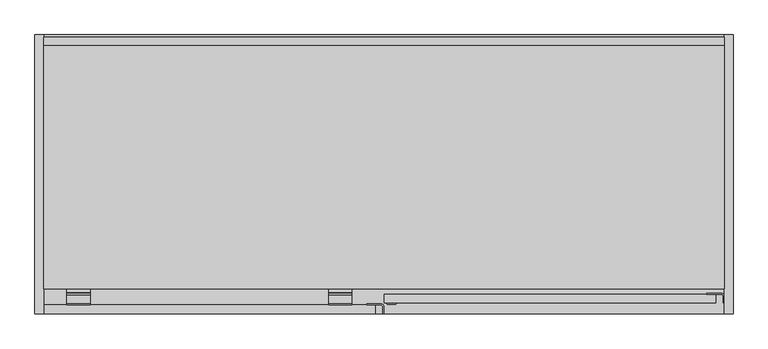
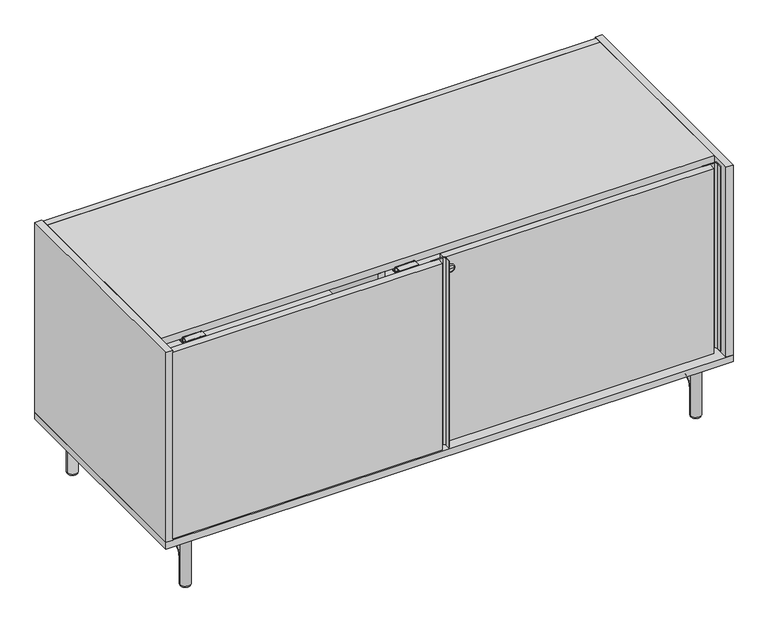
"""IFC4 building model written with IfcOpenShell, lengths in millimetres: furniture geometry."""

from ifc_helpers import new_model, si_unit, point, frame, frame_2d, origin, origin_with_axes, place, context, project, spatial, polyline, circle_curve, ellipse_curve, trimmed, segment, composite_curve, outline, extrude, source, transform, mapped, element, save
from ifc_brep_helpers import plane_surface, cylinder_surface, revolved_surface, advanced_brep


def furniture_e6530add(model_context):
    return source(origin(), model_context, "Body", "SolidModel", [
        advanced_brep(
        [(-828.3716553, -62.805469, 112.7677867), (-828.3716553, -29.4679688, 79.4302867), (-828.3716553, -29.4679688, 152.4), (-828.3716553, -40.5804688, 152.4), (-828.3716553, -40.5804688, 148.43125), (-828.3716553, -110.4604045, 148.43125), (-828.3716553, -110.4604045, 152.4), (-828.3716553, -473.7395955, 152.4), (-828.3716553, -473.7395955, 148.43125), (-828.3716553, -543.6195313, 148.43125), (-828.3716553, -543.6195313, 152.4), (-828.3716553, -554.7320313, 152.4), (-828.3716553, -554.7320313, 79.4302867), (-828.3716553, -521.3945313, 112.7677867), (-856.9466553, -29.4679688, 79.4302867), (-856.9466553, -62.8054687, 112.7677867), (-856.9466553, -521.3945313, 112.7677867), (-856.9466553, -554.7320312, 79.4302867), (-856.9466553, -554.7320313, 152.4), (-856.9466553, -543.6195313, 152.4), (-856.9466553, -543.6195313, 148.43125), (-856.9466553, -473.7395955, 148.43125), (-856.9466553, -473.7395955, 152.4), (-856.9466553, -110.4604045, 152.4), (-856.9466553, -110.4604045, 148.43125), (-856.9466553, -40.5804688, 148.43125), (-856.9466553, -40.5804688, 152.4), (-856.9466553, -29.4679688, 152.4), (-807.7341553, -543.6195313, 152.4), (-795.0341553, -530.9195313, 152.4), (-795.0341553, -486.6142182, 152.4), (-807.9087781, -473.7395955, 152.4), (-807.9087781, -110.4604045, 152.4), (-795.0341553, -97.5857818, 152.4), (-795.0341553, -53.2804688, 152.4), (-807.7341553, -40.5804688, 152.4), (-877.5841553, -40.5804688, 152.4), (-890.2841553, -53.2804688, 152.4), (-890.2841553, -97.5857818, 152.4), (-877.4095326, -110.4604045, 152.4), (-877.4095326, -473.7395955, 152.4), (-890.2841553, -486.6142182, 152.4), (-890.2841553, -530.9195313, 152.4), (-877.5841553, -543.6195313, 152.4), (-828.3716553, -29.4679687, 4.7625), (-856.9466553, -29.4679687, 4.7625), (-856.9466553, -554.7320312, 4.7625), (-828.3716553, -554.7320312, 4.7625), (-877.5841553, -543.6195313, 148.43125), (-890.2841553, -530.9195313, 148.43125), (-890.2841553, -486.6142182, 148.43125), (-877.4095326, -473.7395955, 148.43125), (-807.9087781, -473.7395955, 148.43125), (-795.0341553, -486.6142182, 148.43125), (-795.0341553, -530.9195313, 148.43125), (-807.7341553, -543.6195313, 148.43125), (-807.7341553, -40.5804688, 148.43125), (-795.0341553, -53.2804688, 148.43125), (-795.0341553, -97.5857818, 148.43125), (-807.9087781, -110.4604045, 148.43125), (-877.4095326, -110.4604045, 148.43125), (-890.2841553, -97.5857818, 148.43125), (-890.2841553, -53.2804688, 148.43125), (-877.5841553, -40.5804688, 148.43125)],
        [
            (0, 1, circle_curve(frame((-828.3716553, -62.8054687, 79.4302867), z_axis=(-1.0, 0.0, 0.0), x_axis=(0.0, 1.0, 0.0)), 33.3375)),
            (1, 2),
            (2, 3),
            (3, 4),
            (4, 5),
            (5, 6),
            (6, 7),
            (7, 8),
            (8, 9),
            (9, 10),
            (10, 11),
            (11, 12),
            (12, 13, circle_curve(frame((-828.3716553, -521.3945313, 79.4302867), z_axis=(-1.0, 0.0, 0.0), x_axis=(0.0, 0.0, 1.0)), 33.3375)),
            (13, 0),
            (14, 15, circle_curve(frame((-856.9466553, -62.8054687, 79.4302867), z_axis=(1.0, 0.0, 0.0), x_axis=(0.0, 1.0, 0.0)), 33.3375)),
            (15, 16),
            (16, 17, circle_curve(frame((-856.9466553, -521.3945313, 79.4302867), z_axis=(1.0, 0.0, 0.0), x_axis=(0.0, 0.0, 1.0)), 33.3375)),
            (17, 18),
            (18, 19),
            (19, 20),
            (20, 21),
            (21, 22),
            (22, 23),
            (23, 24),
            (24, 25),
            (25, 26),
            (26, 27),
            (27, 14),
            (28, 29, circle_curve(frame((-807.7341553, -530.9195313, 152.4), z_axis=(0.0, 0.0, 1.0), x_axis=(1.0, 0.0, 0.0)), 12.7)),
            (29, 30),
            (30, 31, circle_curve(frame((-807.9087781, -486.6142182, 152.4), z_axis=(0.0, 0.0, 1.0), x_axis=(1.0, 0.0, 0.0)), 12.8746227)),
            (31, 7),
            (6, 32),
            (32, 33, circle_curve(frame((-807.9087781, -97.5857818, 152.4), z_axis=(0.0, 0.0, 1.0), x_axis=(1.0, 0.0, 0.0)), 12.8746227)),
            (33, 34),
            (34, 35, circle_curve(frame((-807.7341553, -53.2804688, 152.4), z_axis=(0.0, 0.0, 1.0), x_axis=(1.0, 0.0, 0.0)), 12.7)),
            (35, 3),
            (2, 27, circle_curve(frame((-842.6591553, -29.4679688, 152.4), z_axis=(0.0, 0.0, 1.0), x_axis=(1.0, 0.0, 0.0)), 14.2875)),
            (26, 36),
            (36, 37, circle_curve(frame((-877.5841553, -53.2804688, 152.4), z_axis=(0.0, 0.0, 1.0), x_axis=(1.0, 0.0, 0.0)), 12.7)),
            (37, 38),
            (38, 39, circle_curve(frame((-877.4095326, -97.5857818, 152.4), z_axis=(0.0, 0.0, 1.0), x_axis=(1.0, 0.0, 0.0)), 12.8746227)),
            (39, 23),
            (22, 40),
            (40, 41, circle_curve(frame((-877.4095326, -486.6142182, 152.4), z_axis=(0.0, 0.0, 1.0), x_axis=(1.0, 0.0, 0.0)), 12.8746227)),
            (41, 42),
            (42, 43, circle_curve(frame((-877.5841553, -530.9195313, 152.4), z_axis=(0.0, 0.0, 1.0), x_axis=(1.0, 0.0, 0.0)), 12.7)),
            (43, 19),
            (18, 11, circle_curve(frame((-842.6591553, -554.7320313, 152.4), z_axis=(0.0, 0.0, 1.0), x_axis=(1.0, 0.0, 0.0)), 14.2875)),
            (10, 28),
            (44, 45, circle_curve(frame((-842.6591553, -29.4679687, 4.7625), z_axis=(0.0, 0.0, -1.0), x_axis=(1.0, 0.0, 0.0)), 14.2875)),
            (45, 44, circle_curve(frame((-842.6591553, -29.4679688, 4.7625), z_axis=(0.0, 0.0, -1.0), x_axis=(1.0, 0.0, 0.0)), 14.2875)),
            (44, 1),
            (1, 14, circle_curve(frame((-842.6591553, -29.4679687, 79.4302867), z_axis=(0.0, 0.0, -1.0), x_axis=(1.0, 0.0, 0.0)), 14.2875)),
            (14, 45),
            (0, 15, circle_curve(frame((-842.6591553, -62.8054687, 112.7677867), z_axis=(0.0, 1.0, 0.0), x_axis=(1.0, 0.0, 0.0)), 14.2875)),
            (13, 16, circle_curve(frame((-842.6591553, -521.3945313, 112.7677867), z_axis=(0.0, 1.0, 0.0), x_axis=(1.0, 0.0, 0.0)), 14.2875)),
            (12, 17, circle_curve(frame((-842.6591553, -554.7320312, 79.4302867), z_axis=(0.0, 0.0, 1.0), x_axis=(1.0, 0.0, 0.0)), 14.2875)),
            (46, 47, circle_curve(frame((-842.6591553, -554.7320312, 4.7625), z_axis=(0.0, 0.0, -1.0), x_axis=(1.0, 0.0, 0.0)), 14.2875)),
            (47, 46, circle_curve(frame((-842.6591553, -554.7320313, 4.7625), z_axis=(0.0, 0.0, -1.0), x_axis=(1.0, 0.0, 0.0)), 14.2875)),
            (12, 47),
            (46, 17),
            (48, 49, circle_curve(frame((-877.5841553, -530.9195313, 148.43125), z_axis=(0.0, 0.0, -1.0), x_axis=(1.0, 0.0, 0.0)), 12.7)),
            (49, 50),
            (50, 51, circle_curve(frame((-877.4095326, -486.6142182, 148.43125), z_axis=(0.0, 0.0, -1.0), x_axis=(1.0, 0.0, 0.0)), 12.8746227)),
            (51, 21),
            (20, 48),
            (52, 53, circle_curve(frame((-807.9087781, -486.6142182, 148.43125), z_axis=(0.0, 0.0, -1.0), x_axis=(1.0, 0.0, 0.0)), 12.8746227)),
            (53, 54),
            (54, 55, circle_curve(frame((-807.7341553, -530.9195313, 148.43125), z_axis=(0.0, 0.0, -1.0), x_axis=(1.0, 0.0, 0.0)), 12.7)),
            (55, 9),
            (8, 52),
            (43, 48),
            (55, 28),
            (42, 49),
            (41, 50),
            (40, 51),
            (31, 52),
            (30, 53),
            (29, 54),
            (56, 57, circle_curve(frame((-807.7341553, -53.2804688, 148.43125), z_axis=(0.0, 0.0, -1.0), x_axis=(1.0, 0.0, 0.0)), 12.7)),
            (57, 58),
            (58, 59, circle_curve(frame((-807.9087781, -97.5857818, 148.43125), z_axis=(0.0, 0.0, -1.0), x_axis=(1.0, 0.0, 0.0)), 12.8746227)),
            (59, 5),
            (4, 56),
            (60, 61, circle_curve(frame((-877.4095326, -97.5857818, 148.43125), z_axis=(0.0, 0.0, -1.0), x_axis=(1.0, 0.0, 0.0)), 12.8746227)),
            (61, 62),
            (62, 63, circle_curve(frame((-877.5841553, -53.2804688, 148.43125), z_axis=(0.0, 0.0, -1.0), x_axis=(1.0, 0.0, 0.0)), 12.7)),
            (63, 25),
            (24, 60),
            (35, 56),
            (63, 36),
            (62, 37),
            (61, 38),
            (60, 39),
            (59, 32),
            (58, 33),
            (57, 34),
        ],
        [
            plane_surface(frame((-828.3716553, -292.1, 0.0), z_axis=(1.0, 0.0, 0.0), x_axis=(0.0, 0.0, 1.0))),
            plane_surface(frame((-856.9466553, -292.1, 0.0), z_axis=(-1.0, 0.0, 0.0), x_axis=(0.0, 0.0, 1.0))),
            plane_surface(frame((-828.3716553, -29.4679688, 152.4), z_axis=(0.0, 0.0, 1.0), x_axis=(-1.0, 0.0, 0.0))),
            plane_surface(frame((-842.6591553, -43.7554687, 4.7625), z_axis=(0.0, 0.0, -1.0), x_axis=(1.0, 0.0, 0.0))),
            cylinder_surface(frame((-842.6591553, -29.4679687, 4.7625), z_axis=(0.0, 0.0, -1.0), x_axis=(1.0, 0.0, 0.0)), 14.2875),
            revolved_surface(trimmed(ellipse_curve(frame((-842.6591553, -29.4679688, 79.4302867), z_axis=(0.0, 0.0, -1.0), x_axis=(1.0, 0.0, 0.0)), 14.2875, 14.2875), [point((-828.3716553, -29.4679688, 79.4302867))], [point((-856.9466553, -29.4679688, 79.4302867))], True, "CARTESIAN"), (-842.6591553, -62.8054687, 79.4302867), (1.0, 0.0, 0.0)),
            cylinder_surface(frame((-842.6591553, -62.8054687, 112.7677867), z_axis=(0.0, 1.0, 0.0), x_axis=(1.0, 0.0, 0.0)), 14.2875),
            revolved_surface(trimmed(ellipse_curve(frame((-842.6591553, -521.3945313, 112.7677867), z_axis=(0.0, 1.0, 0.0), x_axis=(1.0, 0.0, 0.0)), 14.2875, 14.2875), [point((-828.3716553, -521.3945313, 112.7677867))], [point((-856.9466553, -521.3945313, 112.7677867))], True, "CARTESIAN"), (-842.6591553, -521.3945313, 79.4302867), (1.0, 0.0, 0.0)),
            plane_surface(frame((-842.6591553, -540.4445313, 4.7625), z_axis=(0.0, 0.0, -1.0), x_axis=(1.0, 0.0, 0.0))),
            cylinder_surface(frame((-842.6591553, -554.7320312, 79.4302867), z_axis=(0.0, 0.0, 1.0), x_axis=(1.0, 0.0, 0.0)), 14.2875),
            plane_surface(frame((-795.0341553, -530.9195313, 148.43125), z_axis=(0.0, 0.0, -1.0), x_axis=(0.0, -1.0, 0.0))),
            plane_surface(frame((-877.5841553, -543.6195313, 152.4), z_axis=(0.0, -1.0, 0.0), x_axis=(0.0, 0.0, -1.0))),
            cylinder_surface(frame((-877.5841553, -530.9195313, 148.43125), z_axis=(0.0, 0.0, 1.0), x_axis=(1.0, 0.0, 0.0)), 12.7),
            plane_surface(frame((-890.2841553, -486.6142182, 152.4), z_axis=(-1.0, 0.0, 0.0), x_axis=(0.0, 0.0, -1.0))),
            cylinder_surface(frame((-877.4095326, -486.6142182, 148.43125), z_axis=(0.0, 0.0, 1.0), x_axis=(1.0, 0.0, 0.0)), 12.8746227),
            plane_surface(frame((-807.9087781, -473.7395955, 152.4), z_axis=(0.0, 1.0, 0.0), x_axis=(0.0, 0.0, -1.0))),
            cylinder_surface(frame((-807.9087781, -486.6142182, 148.43125), z_axis=(0.0, 0.0, 1.0), x_axis=(1.0, 0.0, 0.0)), 12.8746227),
            plane_surface(frame((-795.0341553, -530.9195313, 152.4), z_axis=(1.0, 0.0, 0.0), x_axis=(0.0, 0.0, -1.0))),
            cylinder_surface(frame((-807.7341553, -530.9195313, 148.43125), z_axis=(0.0, 0.0, 1.0), x_axis=(1.0, 0.0, 0.0)), 12.7),
            plane_surface(frame((-877.5841553, -40.5804688, 148.43125), z_axis=(0.0, 0.0, -1.0), x_axis=(1.0, 0.0, 0.0))),
            plane_surface(frame((-807.7341553, -40.5804688, 152.4), z_axis=(0.0, 1.0, 0.0), x_axis=(0.0, 0.0, -1.0))),
            cylinder_surface(frame((-877.5841553, -53.2804688, 148.43125), z_axis=(0.0, 0.0, 1.0), x_axis=(1.0, 0.0, 0.0)), 12.7),
            plane_surface(frame((-890.2841553, -53.2804688, 152.4), z_axis=(-1.0, 0.0, 0.0), x_axis=(0.0, 0.0, -1.0))),
            cylinder_surface(frame((-877.4095326, -97.5857818, 148.43125), z_axis=(0.0, 0.0, 1.0), x_axis=(1.0, 0.0, 0.0)), 12.8746227),
            plane_surface(frame((-877.4095326, -110.4604045, 152.4), z_axis=(0.0, -1.0, 0.0), x_axis=(0.0, 0.0, -1.0))),
            cylinder_surface(frame((-807.9087781, -97.5857818, 148.43125), z_axis=(0.0, 0.0, 1.0), x_axis=(1.0, 0.0, 0.0)), 12.8746227),
            plane_surface(frame((-795.0341553, -97.5857818, 152.4), z_axis=(1.0, 0.0, 0.0), x_axis=(0.0, 0.0, -1.0))),
            cylinder_surface(frame((-807.7341553, -53.2804688, 148.43125), z_axis=(0.0, 0.0, 1.0), x_axis=(1.0, 0.0, 0.0)), 12.7),
            cylinder_surface(frame((-842.6591553, -554.7320313, 4.7625), z_axis=(0.0, 0.0, 1.0), x_axis=(1.0, 0.0, 0.0)), 14.2875),
            cylinder_surface(frame((-842.6591553, -29.4679688, 4.7625), z_axis=(0.0, 0.0, 1.0), x_axis=(1.0, 0.0, 0.0)), 14.2875),
        ],
        [
            (0, [[1, 2, 3, 4, 5, 6, 7, 8, 9, 10, 11, 12, 13, 14]]),
            (1, [[15, 16, 17, 18, 19, 20, 21, 22, 23, 24, 25, 26, 27, 28]]),
            (2, [[29, 30, 31, 32, -7, 33, 34, 35, 36, 37, -3, 38, -27, 39, 40, 41, 42, 43, -23, 44, 45, 46, 47, 48, -19, 49, -11, 50]]),
            (3, [[51, 52]]),
            (4, [[-51, 53, 54, 55]]),
            (5, [[-54, -1, 56, -15]]),
            (6, [[-56, -14, 57, -16]]),
            (7, [[-57, -13, 58, -17]]),
            (8, [[59, 60]]),
            (9, [[-58, 61, -59, 62]]),
            (10, [[63, 64, 65, 66, -21, 67]]),
            (10, [[68, 69, 70, 71, -9, 72]]),
            (11, [[73, -67, -20, -48]]),
            (11, [[74, -50, -10, -71]]),
            (12, [[-47, 75, -63, -73]]),
            (13, [[-46, 76, -64, -75]]),
            (14, [[-45, 77, -65, -76]]),
            (15, [[-77, -44, -22, -66]]),
            (15, [[78, -72, -8, -32]]),
            (16, [[-31, 79, -68, -78]]),
            (17, [[-30, 80, -69, -79]]),
            (18, [[-29, -74, -70, -80]]),
            (19, [[81, 82, 83, 84, -5, 85]]),
            (19, [[86, 87, 88, 89, -25, 90]]),
            (20, [[91, -85, -4, -37]]),
            (20, [[92, -39, -26, -89]]),
            (21, [[-40, -92, -88, 93]]),
            (22, [[-41, -93, -87, 94]]),
            (23, [[-42, -94, -86, 95]]),
            (24, [[-95, -90, -24, -43]]),
            (24, [[96, -33, -6, -84]]),
            (25, [[-34, -96, -83, 97]]),
            (26, [[-35, -97, -82, 98]]),
            (27, [[-36, -98, -81, -91]]),
            (28, [[-49, -18, -62, -60, -61, -12]]),
            (29, [[-38, -2, -53, -52, -55, -28]]),
        ],
    ),
        extrude(outline(composite_curve([segment(trimmed(circle_curve(frame_2d((-842.6591553, -29.4679688)), 12.7044571), [point((-855.3636124, -29.4679688))], [point((-829.9546982, -29.4679688))], False, "CARTESIAN"), True, "CONTINUOUS"), segment(trimmed(circle_curve(frame_2d((-842.6591553, -29.4679688)), 12.7044571), [point((-829.9546982, -29.4679688))], [point((-855.3636124, -29.4679688))], False, "CARTESIAN"), True, "CONTINUOUS")], self_intersect=False)), origin_with_axes(), (0.0, 0.0, 1.0), 4.7625),
        extrude(outline(composite_curve([segment(trimmed(circle_curve(frame_2d((-842.6591553, -554.7320313)), 12.7044571), [point((-855.3636124, -554.7320313))], [point((-829.9546982, -554.7320313))], False, "CARTESIAN"), True, "CONTINUOUS"), segment(trimmed(circle_curve(frame_2d((-842.6591553, -554.7320313)), 12.7044571), [point((-829.9546982, -554.7320313))], [point((-855.3636124, -554.7320313))], False, "CARTESIAN"), True, "CONTINUOUS")], self_intersect=False)), origin_with_axes(), (0.0, 0.0, 1.0), 4.7625),
        advanced_brep(
        [(543.2283447, -62.805469, 112.7677867), (543.2283447, -29.4679688, 79.4302867), (543.2283447, -29.4679688, 152.4), (543.2283447, -40.5804688, 152.4), (543.2283447, -40.5804688, 148.43125), (543.2283447, -110.4604045, 148.43125), (543.2283447, -110.4604045, 152.4), (543.2283447, -473.7395955, 152.4), (543.2283447, -473.7395955, 148.43125), (543.2283447, -543.6195313, 148.43125), (543.2283447, -543.6195313, 152.4), (543.2283447, -554.7320313, 152.4), (543.2283447, -554.7320313, 79.4302867), (543.2283447, -521.3945313, 112.7677867), (514.6533447, -29.4679688, 79.4302867), (514.6533447, -62.8054687, 112.7677867), (514.6533447, -521.3945313, 112.7677867), (514.6533447, -554.7320312, 79.4302867), (514.6533447, -554.7320313, 152.4), (514.6533447, -543.6195313, 152.4), (514.6533447, -543.6195313, 148.43125), (514.6533447, -473.7395955, 148.43125), (514.6533447, -473.7395955, 152.4), (514.6533447, -110.4604045, 152.4), (514.6533447, -110.4604045, 148.43125), (514.6533447, -40.5804688, 148.43125), (514.6533447, -40.5804688, 152.4), (514.6533447, -29.4679688, 152.4), (563.8658447, -543.6195313, 152.4), (576.5658447, -530.9195313, 152.4), (576.5658447, -486.6142182, 152.4), (563.6912219, -473.7395955, 152.4), (563.6912219, -110.4604045, 152.4), (576.5658447, -97.5857818, 152.4), (576.5658447, -53.2804688, 152.4), (563.8658447, -40.5804688, 152.4), (494.0158447, -40.5804688, 152.4), (481.3158447, -53.2804688, 152.4), (481.3158447, -97.5857818, 152.4), (494.1904674, -110.4604045, 152.4), (494.1904674, -473.7395955, 152.4), (481.3158447, -486.6142182, 152.4), (481.3158447, -530.9195313, 152.4), (494.0158447, -543.6195313, 152.4), (543.2283447, -29.4679687, 4.7625), (514.6533447, -29.4679687, 4.7625), (514.6533447, -554.7320312, 4.7625), (543.2283447, -554.7320312, 4.7625), (494.0158447, -543.6195313, 148.43125), (481.3158447, -530.9195313, 148.43125), (481.3158447, -486.6142182, 148.43125), (494.1904674, -473.7395955, 148.43125), (563.6912219, -473.7395955, 148.43125), (576.5658447, -486.6142182, 148.43125), (576.5658447, -530.9195313, 148.43125), (563.8658447, -543.6195313, 148.43125), (563.8658447, -40.5804688, 148.43125), (576.5658447, -53.2804688, 148.43125), (576.5658447, -97.5857818, 148.43125), (563.6912219, -110.4604045, 148.43125), (494.1904674, -110.4604045, 148.43125), (481.3158447, -97.5857818, 148.43125), (481.3158447, -53.2804688, 148.43125), (494.0158447, -40.5804688, 148.43125)],
        [
            (0, 1, circle_curve(frame((543.2283447, -62.8054687, 79.4302867), z_axis=(-1.0, 0.0, 0.0), x_axis=(0.0, 1.0, 0.0)), 33.3375)),
            (1, 2),
            (2, 3),
            (3, 4),
            (4, 5),
            (5, 6),
            (6, 7),
            (7, 8),
            (8, 9),
            (9, 10),
            (10, 11),
            (11, 12),
            (12, 13, circle_curve(frame((543.2283447, -521.3945313, 79.4302867), z_axis=(-1.0, 0.0, 0.0), x_axis=(0.0, 0.0, 1.0)), 33.3375)),
            (13, 0),
            (14, 15, circle_curve(frame((514.6533447, -62.8054687, 79.4302867), z_axis=(1.0, 0.0, 0.0), x_axis=(0.0, 1.0, 0.0)), 33.3375)),
            (15, 16),
            (16, 17, circle_curve(frame((514.6533447, -521.3945313, 79.4302867), z_axis=(1.0, 0.0, 0.0), x_axis=(0.0, 0.0, 1.0)), 33.3375)),
            (17, 18),
            (18, 19),
            (19, 20),
            (20, 21),
            (21, 22),
            (22, 23),
            (23, 24),
            (24, 25),
            (25, 26),
            (26, 27),
            (27, 14),
            (28, 29, circle_curve(frame((563.8658447, -530.9195313, 152.4), z_axis=(0.0, 0.0, 1.0), x_axis=(1.0, 0.0, 0.0)), 12.7)),
            (29, 30),
            (30, 31, circle_curve(frame((563.6912219, -486.6142182, 152.4), z_axis=(0.0, 0.0, 1.0), x_axis=(1.0, 0.0, 0.0)), 12.8746227)),
            (31, 7),
            (6, 32),
            (32, 33, circle_curve(frame((563.6912219, -97.5857818, 152.4), z_axis=(0.0, 0.0, 1.0), x_axis=(1.0, 0.0, 0.0)), 12.8746227)),
            (33, 34),
            (34, 35, circle_curve(frame((563.8658447, -53.2804688, 152.4), z_axis=(0.0, 0.0, 1.0), x_axis=(1.0, 0.0, 0.0)), 12.7)),
            (35, 3),
            (2, 27, circle_curve(frame((528.9408447, -29.4679688, 152.4), z_axis=(0.0, 0.0, 1.0), x_axis=(1.0, 0.0, 0.0)), 14.2875)),
            (26, 36),
            (36, 37, circle_curve(frame((494.0158447, -53.2804688, 152.4), z_axis=(0.0, 0.0, 1.0), x_axis=(1.0, 0.0, 0.0)), 12.7)),
            (37, 38),
            (38, 39, circle_curve(frame((494.1904674, -97.5857818, 152.4), z_axis=(0.0, 0.0, 1.0), x_axis=(1.0, 0.0, 0.0)), 12.8746227)),
            (39, 23),
            (22, 40),
            (40, 41, circle_curve(frame((494.1904674, -486.6142182, 152.4), z_axis=(0.0, 0.0, 1.0), x_axis=(1.0, 0.0, 0.0)), 12.8746227)),
            (41, 42),
            (42, 43, circle_curve(frame((494.0158447, -530.9195313, 152.4), z_axis=(0.0, 0.0, 1.0), x_axis=(1.0, 0.0, 0.0)), 12.7)),
            (43, 19),
            (18, 11, circle_curve(frame((528.9408447, -554.7320313, 152.4), z_axis=(0.0, 0.0, 1.0), x_axis=(1.0, 0.0, 0.0)), 14.2875)),
            (10, 28),
            (44, 45, circle_curve(frame((528.9408447, -29.4679687, 4.7625), z_axis=(0.0, 0.0, -1.0), x_axis=(1.0, 0.0, 0.0)), 14.2875)),
            (45, 44, circle_curve(frame((528.9408447, -29.4679688, 4.7625), z_axis=(0.0, 0.0, -1.0), x_axis=(1.0, 0.0, 0.0)), 14.2875)),
            (44, 1),
            (1, 14, circle_curve(frame((528.9408447, -29.4679687, 79.4302867), z_axis=(0.0, 0.0, -1.0), x_axis=(1.0, 0.0, 0.0)), 14.2875)),
            (14, 45),
            (0, 15, circle_curve(frame((528.9408447, -62.8054687, 112.7677867), z_axis=(0.0, 1.0, 0.0), x_axis=(1.0, 0.0, 0.0)), 14.2875)),
            (13, 16, circle_curve(frame((528.9408447, -521.3945313, 112.7677867), z_axis=(0.0, 1.0, 0.0), x_axis=(1.0, 0.0, 0.0)), 14.2875)),
            (12, 17, circle_curve(frame((528.9408447, -554.7320312, 79.4302867), z_axis=(0.0, 0.0, 1.0), x_axis=(1.0, 0.0, 0.0)), 14.2875)),
            (46, 47, circle_curve(frame((528.9408447, -554.7320312, 4.7625), z_axis=(0.0, 0.0, -1.0), x_axis=(1.0, 0.0, 0.0)), 14.2875)),
            (47, 46, circle_curve(frame((528.9408447, -554.7320313, 4.7625), z_axis=(0.0, 0.0, -1.0), x_axis=(1.0, 0.0, 0.0)), 14.2875)),
            (12, 47),
            (46, 17),
            (48, 49, circle_curve(frame((494.0158447, -530.9195313, 148.43125), z_axis=(0.0, 0.0, -1.0), x_axis=(1.0, 0.0, 0.0)), 12.7)),
            (49, 50),
            (50, 51, circle_curve(frame((494.1904674, -486.6142182, 148.43125), z_axis=(0.0, 0.0, -1.0), x_axis=(1.0, 0.0, 0.0)), 12.8746227)),
            (51, 21),
            (20, 48),
            (52, 53, circle_curve(frame((563.6912219, -486.6142182, 148.43125), z_axis=(0.0, 0.0, -1.0), x_axis=(1.0, 0.0, 0.0)), 12.8746227)),
            (53, 54),
            (54, 55, circle_curve(frame((563.8658447, -530.9195313, 148.43125), z_axis=(0.0, 0.0, -1.0), x_axis=(1.0, 0.0, 0.0)), 12.7)),
            (55, 9),
            (8, 52),
            (43, 48),
            (55, 28),
            (42, 49),
            (41, 50),
            (40, 51),
            (31, 52),
            (30, 53),
            (29, 54),
            (56, 57, circle_curve(frame((563.8658447, -53.2804688, 148.43125), z_axis=(0.0, 0.0, -1.0), x_axis=(1.0, 0.0, 0.0)), 12.7)),
            (57, 58),
            (58, 59, circle_curve(frame((563.6912219, -97.5857818, 148.43125), z_axis=(0.0, 0.0, -1.0), x_axis=(1.0, 0.0, 0.0)), 12.8746227)),
            (59, 5),
            (4, 56),
            (60, 61, circle_curve(frame((494.1904674, -97.5857818, 148.43125), z_axis=(0.0, 0.0, -1.0), x_axis=(1.0, 0.0, 0.0)), 12.8746227)),
            (61, 62),
            (62, 63, circle_curve(frame((494.0158447, -53.2804688, 148.43125), z_axis=(0.0, 0.0, -1.0), x_axis=(1.0, 0.0, 0.0)), 12.7)),
            (63, 25),
            (24, 60),
            (35, 56),
            (63, 36),
            (62, 37),
            (61, 38),
            (60, 39),
            (59, 32),
            (58, 33),
            (57, 34),
        ],
        [
            plane_surface(frame((543.2283447, -292.1, 0.0), z_axis=(1.0, 0.0, 0.0), x_axis=(0.0, 0.0, 1.0))),
            plane_surface(frame((514.6533447, -292.1, 0.0), z_axis=(-1.0, 0.0, 0.0), x_axis=(0.0, 0.0, 1.0))),
            plane_surface(frame((543.2283447, -29.4679688, 152.4), z_axis=(0.0, 0.0, 1.0), x_axis=(-1.0, 0.0, 0.0))),
            plane_surface(frame((528.9408447, -43.7554687, 4.7625), z_axis=(0.0, 0.0, -1.0), x_axis=(1.0, 0.0, 0.0))),
            cylinder_surface(frame((528.9408447, -29.4679687, 4.7625), z_axis=(0.0, 0.0, -1.0), x_axis=(1.0, 0.0, 0.0)), 14.2875),
            revolved_surface(trimmed(ellipse_curve(frame((528.9408447, -29.4679688, 79.4302867), z_axis=(0.0, 0.0, -1.0), x_axis=(1.0, 0.0, 0.0)), 14.2875, 14.2875), [point((543.2283447, -29.4679688, 79.4302867))], [point((514.6533447, -29.4679688, 79.4302867))], True, "CARTESIAN"), (528.9408447, -62.8054687, 79.4302867), (1.0, 0.0, 0.0)),
            cylinder_surface(frame((528.9408447, -62.8054687, 112.7677867), z_axis=(0.0, 1.0, 0.0), x_axis=(1.0, 0.0, 0.0)), 14.2875),
            revolved_surface(trimmed(ellipse_curve(frame((528.9408447, -521.3945313, 112.7677867), z_axis=(0.0, 1.0, 0.0), x_axis=(1.0, 0.0, 0.0)), 14.2875, 14.2875), [point((543.2283447, -521.3945313, 112.7677867))], [point((514.6533447, -521.3945313, 112.7677867))], True, "CARTESIAN"), (528.9408447, -521.3945313, 79.4302867), (1.0, 0.0, 0.0)),
            plane_surface(frame((528.9408447, -540.4445313, 4.7625), z_axis=(0.0, 0.0, -1.0), x_axis=(1.0, 0.0, 0.0))),
            cylinder_surface(frame((528.9408447, -554.7320312, 79.4302867), z_axis=(0.0, 0.0, 1.0), x_axis=(1.0, 0.0, 0.0)), 14.2875),
            plane_surface(frame((576.5658447, -530.9195313, 148.43125), z_axis=(0.0, 0.0, -1.0), x_axis=(0.0, -1.0, 0.0))),
            plane_surface(frame((494.0158447, -543.6195313, 152.4), z_axis=(0.0, -1.0, 0.0), x_axis=(0.0, 0.0, -1.0))),
            cylinder_surface(frame((494.0158447, -530.9195313, 148.43125), z_axis=(0.0, 0.0, 1.0), x_axis=(1.0, 0.0, 0.0)), 12.7),
            plane_surface(frame((481.3158447, -486.6142182, 152.4), z_axis=(-1.0, 0.0, 0.0), x_axis=(0.0, 0.0, -1.0))),
            cylinder_surface(frame((494.1904674, -486.6142182, 148.43125), z_axis=(0.0, 0.0, 1.0), x_axis=(1.0, 0.0, 0.0)), 12.8746227),
            plane_surface(frame((563.6912219, -473.7395955, 152.4), z_axis=(0.0, 1.0, 0.0), x_axis=(0.0, 0.0, -1.0))),
            cylinder_surface(frame((563.6912219, -486.6142182, 148.43125), z_axis=(0.0, 0.0, 1.0), x_axis=(1.0, 0.0, 0.0)), 12.8746227),
            plane_surface(frame((576.5658447, -530.9195313, 152.4), z_axis=(1.0, 0.0, 0.0), x_axis=(0.0, 0.0, -1.0))),
            cylinder_surface(frame((563.8658447, -530.9195313, 148.43125), z_axis=(0.0, 0.0, 1.0), x_axis=(1.0, 0.0, 0.0)), 12.7),
            plane_surface(frame((494.0158447, -40.5804688, 148.43125), z_axis=(0.0, 0.0, -1.0), x_axis=(1.0, 0.0, 0.0))),
            plane_surface(frame((563.8658447, -40.5804688, 152.4), z_axis=(0.0, 1.0, 0.0), x_axis=(0.0, 0.0, -1.0))),
            cylinder_surface(frame((494.0158447, -53.2804688, 148.43125), z_axis=(0.0, 0.0, 1.0), x_axis=(1.0, 0.0, 0.0)), 12.7),
            plane_surface(frame((481.3158447, -53.2804688, 152.4), z_axis=(-1.0, 0.0, 0.0), x_axis=(0.0, 0.0, -1.0))),
            cylinder_surface(frame((494.1904674, -97.5857818, 148.43125), z_axis=(0.0, 0.0, 1.0), x_axis=(1.0, 0.0, 0.0)), 12.8746227),
            plane_surface(frame((494.1904674, -110.4604045, 152.4), z_axis=(0.0, -1.0, 0.0), x_axis=(0.0, 0.0, -1.0))),
            cylinder_surface(frame((563.6912219, -97.5857818, 148.43125), z_axis=(0.0, 0.0, 1.0), x_axis=(1.0, 0.0, 0.0)), 12.8746227),
            plane_surface(frame((576.5658447, -97.5857818, 152.4), z_axis=(1.0, 0.0, 0.0), x_axis=(0.0, 0.0, -1.0))),
            cylinder_surface(frame((563.8658447, -53.2804688, 148.43125), z_axis=(0.0, 0.0, 1.0), x_axis=(1.0, 0.0, 0.0)), 12.7),
            cylinder_surface(frame((528.9408447, -554.7320313, 4.7625), z_axis=(0.0, 0.0, 1.0), x_axis=(1.0, 0.0, 0.0)), 14.2875),
            cylinder_surface(frame((528.9408447, -29.4679688, 4.7625), z_axis=(0.0, 0.0, 1.0), x_axis=(1.0, 0.0, 0.0)), 14.2875),
        ],
        [
            (0, [[1, 2, 3, 4, 5, 6, 7, 8, 9, 10, 11, 12, 13, 14]]),
            (1, [[15, 16, 17, 18, 19, 20, 21, 22, 23, 24, 25, 26, 27, 28]]),
            (2, [[29, 30, 31, 32, -7, 33, 34, 35, 36, 37, -3, 38, -27, 39, 40, 41, 42, 43, -23, 44, 45, 46, 47, 48, -19, 49, -11, 50]]),
            (3, [[51, 52]]),
            (4, [[-51, 53, 54, 55]]),
            (5, [[-54, -1, 56, -15]]),
            (6, [[-56, -14, 57, -16]]),
            (7, [[-57, -13, 58, -17]]),
            (8, [[59, 60]]),
            (9, [[-58, 61, -59, 62]]),
            (10, [[63, 64, 65, 66, -21, 67]]),
            (10, [[68, 69, 70, 71, -9, 72]]),
            (11, [[73, -67, -20, -48]]),
            (11, [[74, -50, -10, -71]]),
            (12, [[-47, 75, -63, -73]]),
            (13, [[-46, 76, -64, -75]]),
            (14, [[-45, 77, -65, -76]]),
            (15, [[-77, -44, -22, -66]]),
            (15, [[78, -72, -8, -32]]),
            (16, [[-31, 79, -68, -78]]),
            (17, [[-30, 80, -69, -79]]),
            (18, [[-29, -74, -70, -80]]),
            (19, [[81, 82, 83, 84, -5, 85]]),
            (19, [[86, 87, 88, 89, -25, 90]]),
            (20, [[91, -85, -4, -37]]),
            (20, [[92, -39, -26, -89]]),
            (21, [[-40, -92, -88, 93]]),
            (22, [[-41, -93, -87, 94]]),
            (23, [[-42, -94, -86, 95]]),
            (24, [[-95, -90, -24, -43]]),
            (24, [[96, -33, -6, -84]]),
            (25, [[-34, -96, -83, 97]]),
            (26, [[-35, -97, -82, 98]]),
            (27, [[-36, -98, -81, -91]]),
            (28, [[-49, -18, -62, -60, -61, -12]]),
            (29, [[-38, -2, -53, -52, -55, -28]]),
        ],
    ),
        extrude(outline(composite_curve([segment(trimmed(circle_curve(frame_2d((528.9408447, -29.4679688)), 12.7044571), [point((516.2363876, -29.4679688))], [point((541.6453018, -29.4679688))], False, "CARTESIAN"), True, "CONTINUOUS"), segment(trimmed(circle_curve(frame_2d((528.9408447, -29.4679688)), 12.7044571), [point((541.6453018, -29.4679688))], [point((516.2363876, -29.4679688))], False, "CARTESIAN"), True, "CONTINUOUS")], self_intersect=False)), origin_with_axes(), (0.0, 0.0, 1.0), 4.7625),
        extrude(outline(composite_curve([segment(trimmed(circle_curve(frame_2d((528.9408447, -554.7320313)), 12.7044571), [point((516.2363876, -554.7320313))], [point((541.6453018, -554.7320313))], False, "CARTESIAN"), True, "CONTINUOUS"), segment(trimmed(circle_curve(frame_2d((528.9408447, -554.7320313)), 12.7044571), [point((541.6453018, -554.7320313))], [point((516.2363876, -554.7320313))], False, "CARTESIAN"), True, "CONTINUOUS")], self_intersect=False)), origin_with_axes(), (0.0, 0.0, 1.0), 4.7625),
        extrude(outline(composite_curve([segment(trimmed(circle_curve(frame_2d((-285.7500121, 146.05)), 6.35), [point((-285.7500121, 152.4))], [point((-279.4000121, 146.05))], False, "CARTESIAN"), True, "CONTINUOUS"), segment(polyline([(-279.4000121, 146.05), (-279.4000121, 107.9976261)]), True, "CONTINUOUS"), segment(trimmed(circle_curve(frame_2d((-285.7500121, 107.9976261)), 6.35), [point((-279.4000121, 107.9976261))], [point((-285.7500121, 101.6476261))], False, "CARTESIAN"), True, "CONTINUOUS"), segment(polyline([(-285.7500121, 101.6476261), (-298.4500242, 101.6476261)]), True, "CONTINUOUS"), segment(trimmed(circle_curve(frame_2d((-298.4500242, 107.9976261)), 6.35), [point((-298.4500242, 101.6476261))], [point((-304.8000242, 107.9976261))], False, "CARTESIAN"), True, "CONTINUOUS"), segment(polyline([(-304.8000242, 107.9976261), (-304.8000242, 146.05)]), True, "CONTINUOUS"), segment(trimmed(circle_curve(frame_2d((-298.4500242, 146.05)), 6.35), [point((-304.8000242, 146.05))], [point((-298.4500242, 152.4))], False, "CARTESIAN"), True, "CONTINUOUS"), segment(polyline([(-298.4500242, 152.4), (-285.7500121, 152.4)]), True, "CONTINUOUS")], self_intersect=False)), frame((-842.6591553, 0.0, 0.0), z_axis=(1.0, 0.0, 0.0), x_axis=(0.0, 1.0, 0.0)), (0.0, 0.0, 1.0), 1371.6),
        extrude(outline(composite_curve([segment(trimmed(circle_curve(frame_2d((-574.0474414, 701.0476594)), 1.905), [point((-574.0474414, 702.9526594))], [point((-575.9524414, 701.0476594))], True, "CARTESIAN"), True, "CONTINUOUS"), segment(polyline([(-575.9524414, 701.0476594), (-575.9524414, 679.4499516), (-577.85, 679.4500242), (-577.85, 701.04)]), True, "CONTINUOUS"), segment(trimmed(circle_curve(frame_2d((-574.04, 701.04)), 3.81), [point((-577.85, 701.04))], [point((-574.04, 704.85))], False, "CARTESIAN"), True, "CONTINUOUS"), segment(polyline([(-574.04, 704.85), (-555.8080896, 704.85)]), True, "CONTINUOUS"), segment(trimmed(circle_curve(frame_2d((-555.8080896, 701.04)), 3.81), [point((-555.8080896, 704.85))], [point((-551.9980896, 701.04))], False, "CARTESIAN"), True, "CONTINUOUS"), segment(polyline([(-551.9980896, 701.04), (-551.9980896, 690.8800242)]), True, "CONTINUOUS"), segment(trimmed(circle_curve(frame_2d((-550.0930896, 690.8800242)), 1.905), [point((-551.9980896, 690.8800242))], [point((-550.0930896, 688.9750242))], True, "CARTESIAN"), True, "CONTINUOUS"), segment(polyline([(-550.0930896, 688.9750242), (-542.7717051, 688.9750242)]), True, "CONTINUOUS"), segment(trimmed(circle_curve(frame_2d((-542.7717051, 690.8607522)), 1.885728), [point((-542.7717051, 688.9750242))], [point((-540.8859772, 690.8607522))], True, "CARTESIAN"), True, "CONTINUOUS"), segment(polyline([(-540.8859772, 690.8607522), (-540.8859772, 698.5000242), (-538.9884186, 698.5000242), (-538.9884186, 690.9003686)]), True, "CONTINUOUS"), segment(trimmed(circle_curve(frame_2d((-542.8111038, 690.9003686)), 3.8226852), [point((-538.9884186, 690.9003686))], [point((-542.8110658, 687.0776834))], False, "CARTESIAN"), True, "CONTINUOUS"), segment(polyline([(-542.8110658, 687.0776834), (-550.0879358, 687.0776111)]), True, "CONTINUOUS"), segment(trimmed(circle_curve(frame_2d((-550.0879736, 690.8876111)), 3.81), [point((-550.0879358, 687.0776111))], [point((-553.8979736, 690.8876111))], False, "CARTESIAN"), True, "CONTINUOUS"), segment(polyline([(-553.8979736, 690.8876111), (-553.8979736, 701.0476594)]), True, "CONTINUOUS"), segment(trimmed(circle_curve(frame_2d((-555.8029736, 701.0476594)), 1.905), [point((-553.8979736, 701.0476594))], [point((-555.8029736, 702.9526594))], True, "CARTESIAN"), True, "CONTINUOUS"), segment(polyline([(-555.8029736, 702.9526594), (-574.0474414, 702.9526594)]), True, "CONTINUOUS")], self_intersect=False)), frame((-849.0070469, 0.0, 0.0), z_axis=(1.0, 0.0, 0.0), x_axis=(0.0, 1.0, 0.0)), (0.0, 0.0, 1.0), 50.8),
        extrude(outline(composite_curve([segment(trimmed(circle_curve(frame_2d((-574.0474414, 701.0476594)), 1.905), [point((-574.0474414, 702.9526594))], [point((-575.9524414, 701.0476594))], True, "CARTESIAN"), True, "CONTINUOUS"), segment(polyline([(-575.9524414, 701.0476594), (-575.9524414, 679.4499516), (-577.85, 679.4500242), (-577.85, 701.04)]), True, "CONTINUOUS"), segment(trimmed(circle_curve(frame_2d((-574.04, 701.04)), 3.81), [point((-577.85, 701.04))], [point((-574.04, 704.85))], False, "CARTESIAN"), True, "CONTINUOUS"), segment(polyline([(-574.04, 704.85), (-555.8080896, 704.85)]), True, "CONTINUOUS"), segment(trimmed(circle_curve(frame_2d((-555.8080896, 701.04)), 3.81), [point((-555.8080896, 704.85))], [point((-551.9980896, 701.04))], False, "CARTESIAN"), True, "CONTINUOUS"), segment(polyline([(-551.9980896, 701.04), (-551.9980896, 690.8800242)]), True, "CONTINUOUS"), segment(trimmed(circle_curve(frame_2d((-550.0930896, 690.8800242)), 1.905), [point((-551.9980896, 690.8800242))], [point((-550.0930896, 688.9750242))], True, "CARTESIAN"), True, "CONTINUOUS"), segment(polyline([(-550.0930896, 688.9750242), (-542.7717051, 688.9750242)]), True, "CONTINUOUS"), segment(trimmed(circle_curve(frame_2d((-542.7717051, 690.8607522)), 1.885728), [point((-542.7717051, 688.9750242))], [point((-540.8859772, 690.8607522))], True, "CARTESIAN"), True, "CONTINUOUS"), segment(polyline([(-540.8859772, 690.8607522), (-540.8859772, 698.5000242), (-538.9884186, 698.5000242), (-538.9884186, 690.9003686)]), True, "CONTINUOUS"), segment(trimmed(circle_curve(frame_2d((-542.8111038, 690.9003686)), 3.8226852), [point((-538.9884186, 690.9003686))], [point((-542.8110658, 687.0776834))], False, "CARTESIAN"), True, "CONTINUOUS"), segment(polyline([(-542.8110658, 687.0776834), (-550.0879358, 687.0776111)]), True, "CONTINUOUS"), segment(trimmed(circle_curve(frame_2d((-550.0879736, 690.8876111)), 3.81), [point((-550.0879358, 687.0776111))], [point((-553.8979736, 690.8876111))], False, "CARTESIAN"), True, "CONTINUOUS"), segment(polyline([(-553.8979736, 690.8876111), (-553.8979736, 701.0476594)]), True, "CONTINUOUS"), segment(trimmed(circle_curve(frame_2d((-555.8029736, 701.0476594)), 1.905), [point((-553.8979736, 701.0476594))], [point((-555.8029736, 702.9526594))], True, "CARTESIAN"), True, "CONTINUOUS"), segment(polyline([(-555.8029736, 702.9526594), (-574.0474414, 702.9526594)]), True, "CONTINUOUS")], self_intersect=False)), frame((-277.5112637, 0.0, 0.0), z_axis=(1.0, 0.0, 0.0), x_axis=(0.0, 1.0, 0.0)), (0.0, 0.0, 1.0), 50.8),
        extrude(outline(composite_curve([segment(polyline([(-194.9620389, -577.85), (-194.9620389, -575.5745575), (-163.8563225, -575.5745575)]), True, "CONTINUOUS"), segment(trimmed(circle_curve(frame_2d((-163.8563225, -582.5688411)), 6.9942836), [point((-163.8563225, -575.5745575))], [point((-156.8620389, -582.5688411))], False, "CARTESIAN"), True, "CONTINUOUS"), segment(polyline([(-156.8620389, -582.5688411), (-156.8620389, -596.9104645), (-159.1479459, -596.9104645), (-159.1479459, -582.803)]), True, "CONTINUOUS"), segment(trimmed(circle_curve(frame_2d((-164.1009459, -582.803)), 4.953), [point((-159.1479459, -582.803))], [point((-164.1009459, -577.85))], True, "CARTESIAN"), True, "CONTINUOUS"), segment(polyline([(-164.1009459, -577.85), (-194.9620389, -577.85)]), True, "CONTINUOUS")], self_intersect=False)), frame((0.0, 0.0, 174.625), z_axis=(0.0, 0.0, 1.0), x_axis=(1.0, 0.0, 0.0)), (0.0, 0.0, 1.0), 530.225),
        extrude(outline(polyline([(-175.9091553, -596.9), (-899.8091553, -596.9), (-899.8091553, -577.85), (-175.9091553, -577.85), (-175.9091553, -596.9)])), frame((0.0, 0.0, 174.625), z_axis=(0.0, 0.0, 1.0), x_axis=(1.0, 0.0, 0.0)), (0.0, 0.0, 1.0), 530.225),
        extrude(outline(composite_curve([segment(polyline([(547.9879611, -554.0375), (547.9879611, -551.7620575), (579.0936775, -551.7620575)]), True, "CONTINUOUS"), segment(trimmed(circle_curve(frame_2d((579.0936775, -558.7563411)), 6.9942836), [point((579.0936775, -551.7620575))], [point((586.0879611, -558.7563411))], False, "CARTESIAN"), True, "CONTINUOUS"), segment(polyline([(586.0879611, -558.7563411), (586.0879611, -573.0979645), (583.8020541, -573.0979645), (583.8020541, -558.9905)]), True, "CONTINUOUS"), segment(trimmed(circle_curve(frame_2d((578.8490541, -558.9905)), 4.953), [point((583.8020541, -558.9905))], [point((578.8490541, -554.0375))], True, "CARTESIAN"), True, "CONTINUOUS"), segment(polyline([(578.8490541, -554.0375), (547.9879611, -554.0375)]), True, "CONTINUOUS")], self_intersect=False)), frame((0.0, 0.0, 174.625), z_axis=(0.0, 0.0, 1.0), x_axis=(1.0, 0.0, 0.0)), (0.0, 0.0, 1.0), 525.4625),
        advanced_brep(
        [(-148.2859311, -576.2628876, 664.9085), (-132.4123796, -576.2628876, 664.9085), (-140.3491553, -576.2628876, 664.9085), (-151.4624305, -573.0875, 664.9085), (-129.2358802, -573.0875, 664.9085), (-140.3491553, -573.0875, 664.9085)],
        [
            (0, 1, circle_curve(frame((-140.3491553, -576.2628876, 664.9085), z_axis=(0.0, -1.0, 0.0), x_axis=(1.0, 0.0, 0.0)), 7.9367757)),
            (1, 2),
            (2, 0),
            (1, 0, circle_curve(frame((-140.3491553, -576.2628876, 664.9085), z_axis=(0.0, -1.0, 0.0), x_axis=(1.0, 0.0, 0.0)), 7.9367757)),
            (3, 4, circle_curve(frame((-140.3491553, -573.0875, 664.9085), z_axis=(0.0, -1.0, 0.0), x_axis=(1.0, 0.0, 0.0)), 11.1132751)),
            (4, 1, circle_curve(frame((-132.4123796, -573.086388, 664.9085), z_axis=(0.0, 0.0, -1.0), x_axis=(0.0, -1.0, 0.0)), 3.1764996)),
            (0, 3, circle_curve(frame((-148.2859311, -573.086388, 664.9085), z_axis=(0.0, 0.0, -1.0), x_axis=(0.0, -1.0, 0.0)), 3.1764996)),
            (4, 3, circle_curve(frame((-140.3491553, -573.0875, 664.9085), z_axis=(0.0, -1.0, 0.0), x_axis=(1.0, 0.0, 0.0)), 11.1132751)),
            (5, 4),
            (3, 5),
        ],
        [
            plane_surface(frame((-140.3491553, -576.2628876, 664.9085), z_axis=(0.0, -1.0, 0.0), x_axis=(1.0, 0.0, 0.0))),
            revolved_surface(trimmed(ellipse_curve(frame((-132.4123796, -573.086388, 664.9085), z_axis=(0.0, 0.0, 1.0), x_axis=(0.0, -1.0, 0.0)), 3.1764996, 3.1764996), [point((-132.4123796, -576.2628876, 664.9085))], [point((-129.2358802, -573.0875, 664.9085))], True, "CARTESIAN"), (-140.3491553, -534.9875, 664.9085), (0.0, 1.0, 0.0)),
            plane_surface(frame((-140.3491553, -573.0875, 664.9085), z_axis=(0.0, 1.0, 0.0), x_axis=(1.0, 0.0, 0.0))),
        ],
        [
            (0, [[1, 2, 3]]),
            (0, [[4, -3, -2]]),
            (1, [[5, 6, -1, 7]]),
            (1, [[8, -7, -4, -6]]),
            (2, [[9, -5, 10]]),
            (2, [[-10, -8, -9]]),
        ],
    ),
        extrude(outline(polyline([(567.0408447, -573.0875), (-156.8591553, -573.0875), (-156.8591553, -554.0375), (567.0408447, -554.0375), (567.0408447, -573.0875)])), frame((0.0, 0.0, 174.625), z_axis=(0.0, 0.0, 1.0), x_axis=(1.0, 0.0, 0.0)), (0.0, 0.0, 1.0), 525.4625),
        extrude(outline(polyline([(-299.7341553, -6.35), (-299.7341553, -542.925), (-318.7841553, -542.925), (-318.7841553, -6.35), (-299.7341553, -6.35)])), frame((0.0, 0.0, 171.45), z_axis=(0.0, 0.0, 1.0), x_axis=(1.0, 0.0, 0.0)), (0.0, 0.0, 1.0), 520.7),
        extrude(outline(polyline([(586.0908447, -6.35), (586.0908447, -542.925), (-290.2091553, -542.925), (-290.2091553, -6.35), (586.0908447, -6.35)])), frame((0.0, 0.0, 490.5375), z_axis=(0.0, 0.0, 1.0), x_axis=(1.0, 0.0, 0.0)), (0.0, 0.0, 1.0), 19.05),
        extrude(outline(polyline([(-309.2591553, -6.35), (-309.2591553, -542.925), (-899.8091553, -542.925), (-899.8091553, -6.35), (-309.2591553, -6.35)])), frame((0.0, 0.0, 490.5375), z_axis=(0.0, 0.0, 1.0), x_axis=(1.0, 0.0, 0.0)), (0.0, 0.0, 1.0), 19.05),
        extrude(outline(polyline([(586.0908447, -11.1125), (586.0908447, -542.925), (-899.8091553, -542.925), (-899.8091553, -11.1125), (586.0908447, -11.1125)])), frame((0.0, 0.0, 692.15), z_axis=(0.0, 0.0, 1.0), x_axis=(1.0, 0.0, 0.0)), (0.0, 0.0, 1.0), 19.05),
        extrude(outline(polyline([(586.0908447, -11.1125), (-899.8091553, -11.1125), (-899.8091553, 7.9375), (586.0908447, 7.9375), (586.0908447, -11.1125)])), frame((0.0, 0.0, 171.45), z_axis=(0.0, 0.0, 1.0), x_axis=(1.0, 0.0, 0.0)), (0.0, 0.0, 1.0), 539.75),
        extrude(outline(polyline([(605.1408447, 12.7), (605.1408447, -596.9), (586.0908447, -596.9), (586.0908447, 12.7), (605.1408447, 12.7)])), frame((0.0, 0.0, 171.45), z_axis=(0.0, 0.0, 1.0), x_axis=(1.0, 0.0, 0.0)), (0.0, 0.0, 1.0), 539.75),
        extrude(outline(polyline([(-918.8591553, -596.9), (-918.8591553, 12.7), (-899.8091553, 12.7), (-899.8091553, -596.9), (-918.8591553, -596.9)])), frame((0.0, 0.0, 171.45), z_axis=(0.0, 0.0, 1.0), x_axis=(1.0, 0.0, 0.0)), (0.0, 0.0, 1.0), 539.75),
        extrude(outline(polyline([(605.1408447, 12.7), (605.1408447, -596.9), (-918.8591553, -596.9), (-918.8591553, 12.7), (605.1408447, 12.7)])), frame((0.0, 0.0, 152.4), z_axis=(0.0, 0.0, 1.0), x_axis=(1.0, 0.0, 0.0)), (0.0, 0.0, 1.0), 19.05),
    ])


if __name__ == "__main__":
    model = new_model("IFC4")
    model_context = context("Model", 3, world=origin())
    ifc_project = project(units=[si_unit("LENGTHUNIT", "METRE", prefix="MILLI")], contexts=[model_context])
    site = spatial("IfcSite", under=ifc_project)
    building = spatial("IfcBuilding", under=site)
    placement = place(None, origin())
    furniture_shape = furniture_e6530add(model_context)
    element("IfcFurniture", 1, at=placement, inside=building, context=model_context, shape_type="MappedRepresentation", body=[
        mapped(furniture_shape, transform((0.0, 0.0, 0.0), x_axis=(1.0, 0.0, 0.0), y_axis=(0.0, 1.0, 0.0), z_axis=(0.0, 0.0, 1.0))),
    ])
    save(model, "model.ifc")
